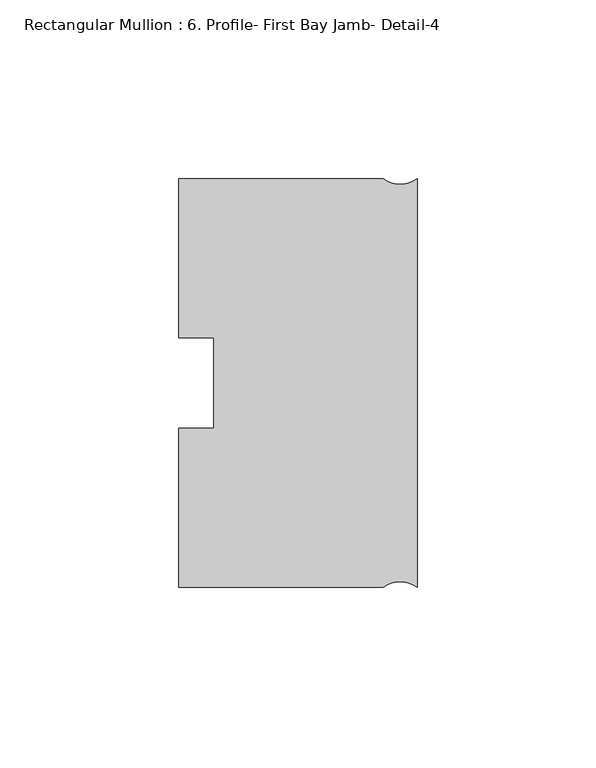
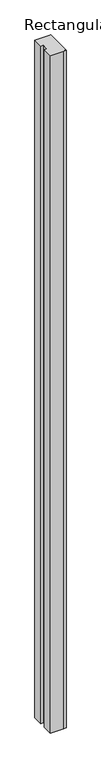
"""IFC4 building model written with IfcOpenShell, lengths in millimetres: member geometry, Rectangular Mullion : 6. Profile- First Bay Jamb- Detail-4."""

import ifcopenshell
import ifcopenshell.guid

model = None  # the IFC model being written
_history = None  # IfcOwnerHistory: only IFC2X3 demands one
_inside = {}  # id of a spatial element -> (the spatial element, [elements in it])
_under = {}  # id of a project, library or spatial element -> (it, [spatial elements below it])
_declared = {}  # id of a project -> (the project, [libraries it declares])
_typed = {}  # id of a type object -> (the type object, [elements of that type])
_made_of = {}  # id of a material, layer set ... -> (it, [elements and type objects made of it])


def new_model(schema):
    """Start an empty IFC model of exactly this schema.

    Asked for "IFC4X3", IfcOpenShell would pick the latest addendum, in which some entities
    have other attributes; the version numbers below select the first issue.
    IFC2X3 requires an IfcOwnerHistory on every rooted entity: one is made here for all.
    """
    global model, _history
    if schema == "IFC4X3":
        model = ifcopenshell.file(schema_version=(4, 3, 0, 0))
    else:
        model = ifcopenshell.file(schema=schema)
    _inside.clear()
    _under.clear()
    _declared.clear()
    _typed.clear()
    _made_of.clear()
    _history = None
    if model.schema == "IFC2X3":
        org = make("IfcOrganization", Name="unknown")
        user = make(
            "IfcPersonAndOrganization",
            ThePerson=make("IfcPerson", FamilyName="unknown"),
            TheOrganization=org,
        )
        app = make(
            "IfcApplication",
            ApplicationDeveloper=org,
            Version="unknown",
            ApplicationFullName="unknown",
            ApplicationIdentifier="unknown",
        )
        _history = make(
            "IfcOwnerHistory",
            OwningUser=user,
            OwningApplication=app,
            ChangeAction="ADDED",
            CreationDate=0,
        )
    return model


def make(cls, **values):
    """One entity of the class cls with the attributes given. An attribute that is None is left unset."""
    return model.create_entity(
        cls, **{name: value for name, value in values.items() if value is not None}
    )


def rooted(cls, **values):
    """An entity with a GlobalId (a new one), such as an element, a storey or a relation."""
    return make(cls, GlobalId=ifcopenshell.guid.new(), OwnerHistory=_history, **values)


def si_unit(unit_type, name, prefix=None):
    """IfcSIUnit, for example si_unit("LENGTHUNIT", "METRE", prefix="MILLI")."""
    return make("IfcSIUnit", UnitType=unit_type, Prefix=prefix, Name=name)


def assignment(units):
    """IfcUnitAssignment: the units of a project."""
    return None if units is None else make("IfcUnitAssignment", Units=units)


def point(xyz):
    """IfcCartesianPoint."""
    return None if xyz is None else make("IfcCartesianPoint", Coordinates=xyz)


def direction(xyz):
    """IfcDirection."""
    return None if xyz is None else make("IfcDirection", DirectionRatios=xyz)


def frame(location, z_axis=None, x_axis=None):
    """IfcAxis2Placement3D, a coordinate frame: its origin and axes. An axis left out is left unset."""
    return make(
        "IfcAxis2Placement3D",
        Location=point(location),
        Axis=direction(z_axis),
        RefDirection=direction(x_axis),
    )


def frame_2d(location, x_axis=None):
    """IfcAxis2Placement2D, a coordinate frame in the plane: its origin and x axis."""
    return make(
        "IfcAxis2Placement2D", Location=point(location), RefDirection=direction(x_axis)
    )


def origin():
    """The frame at (0, 0, 0) with its axes left unset."""
    return frame((0.0, 0.0, 0.0))


def place(relative_to, where):
    """IfcLocalPlacement: puts the frame where relative to a parent placement (None: the world)."""
    return make(
        "IfcLocalPlacement", PlacementRelTo=relative_to, RelativePlacement=where
    )


def context(
    kind, dimensions, precision=None, world=None, true_north=None, identifier=None
):
    """IfcGeometricRepresentationContext, for example the 3D "Model" context."""
    return make(
        "IfcGeometricRepresentationContext",
        ContextIdentifier=identifier,
        ContextType=kind,
        CoordinateSpaceDimension=dimensions,
        Precision=precision,
        WorldCoordinateSystem=world,
        TrueNorth=true_north,
    )


def project(units=None, contexts=None):
    """IfcProject with its units and contexts."""
    return rooted(
        "IfcProject",
        Name="project",
        RepresentationContexts=contexts,
        UnitsInContext=assignment(units),
    )


def spatial(cls, under=None, at=None, **own):
    """A site, building, storey or space (cls), placed at a placement, below another one or the project."""
    s = rooted(cls, ObjectPlacement=at, **own)
    if under is not None:
        _under.setdefault(under.id(), (under, []))[1].append(s)
    return s


def polyline(points):
    """IfcPolyline through the points."""
    return make("IfcPolyline", Points=[point(p) for p in points])


def circle_curve(where, radius):
    """IfcCircle in the frame where."""
    return make("IfcCircle", Position=where, Radius=radius)


def trimmed(basis, trim1, trim2, sense, master):
    """IfcTrimmedCurve: the piece of a basis curve between two trims."""
    return make(
        "IfcTrimmedCurve",
        BasisCurve=basis,
        Trim1=trim1,
        Trim2=trim2,
        SenseAgreement=sense,
        MasterRepresentation=master,
    )


def segment(curve, same_sense, transition):
    """IfcCompositeCurveSegment."""
    return make(
        "IfcCompositeCurveSegment",
        Transition=transition,
        SameSense=same_sense,
        ParentCurve=curve,
    )


def composite_curve(segments, self_intersect=None):
    """IfcCompositeCurve: segments joined end to end."""
    return make("IfcCompositeCurve", Segments=segments, SelfIntersect=self_intersect)


def outline(outer, holes=None, kind="AREA"):
    """IfcArbitraryClosedProfileDef: a profile drawn as a closed curve; with holes, ...WithVoids."""
    if holes is None:
        return make("IfcArbitraryClosedProfileDef", ProfileType=kind, OuterCurve=outer)
    return make(
        "IfcArbitraryProfileDefWithVoids",
        ProfileType=kind,
        OuterCurve=outer,
        InnerCurves=holes,
    )


def extrude(swept, where, along, depth):
    """IfcExtrudedAreaSolid: the profile swept, set in the frame where, extruded along a direction by depth."""
    return make(
        "IfcExtrudedAreaSolid",
        SweptArea=swept,
        Position=where,
        ExtrudedDirection=direction(along),
        Depth=depth,
    )


def shape(context_of_items, identifier, shape_type, items):
    """IfcShapeRepresentation: the items that make up one representation, for example the "Body"."""
    return make(
        "IfcShapeRepresentation",
        ContextOfItems=context_of_items,
        RepresentationIdentifier=identifier,
        RepresentationType=shape_type,
        Items=items,
    )


def source(mapping_origin, context_of_items, identifier, shape_type, items):
    """IfcRepresentationMap: a shape defined once, which mapped items show again and again."""
    return make(
        "IfcRepresentationMap",
        MappingOrigin=mapping_origin,
        MappedRepresentation=shape(context_of_items, identifier, shape_type, items),
    )


def transform(
    local_origin,
    x_axis=None,
    y_axis=None,
    z_axis=None,
    scale=None,
    scale2=None,
    scale3=None,
    uniform=True,
):
    """IfcCartesianTransformationOperator3D, or its non-uniform kind. x_axis, y_axis, z_axis: its Axis1, 2, 3."""
    if uniform:
        return make(
            "IfcCartesianTransformationOperator3D",
            Axis1=direction(x_axis),
            Axis2=direction(y_axis),
            LocalOrigin=point(local_origin),
            Scale=scale,
            Axis3=direction(z_axis),
        )
    return make(
        "IfcCartesianTransformationOperator3DnonUniform",
        Axis1=direction(x_axis),
        Axis2=direction(y_axis),
        LocalOrigin=point(local_origin),
        Scale=scale,
        Axis3=direction(z_axis),
        Scale2=scale2,
        Scale3=scale3,
    )


def mapped(mapping_source, mapping_target):
    """IfcMappedItem: shows the shape of a source again, moved by a transform."""
    return make(
        "IfcMappedItem", MappingSource=mapping_source, MappingTarget=mapping_target
    )


def made_of(thing, what):
    """Note that an element or type object is made of a material, layer set ...; save() writes the relation."""
    if what is not None:
        _made_of.setdefault(what.id(), (what, []))[1].append(thing)
    return thing


def element(
    cls,
    number,
    at=None,
    inside=None,
    cuts=None,
    type_object=None,
    material=None,
    context=None,
    identifier="Body",
    shape_type=None,
    held_by="IfcProductDefinitionShape",
    body=None,
    shapes=None,
    **own,
):
    """One element of the class cls, such as IfcWall. Its Tag is "e" and its number.

    at: its placement. inside: the storey or other place that contains it. cuts: it is an
    opening in that element (IfcRelVoidsElement). A single representation is given by context,
    identifier, shape_type and body (its items); several are given by shapes. held_by: the class
    of the entity that holds the representations. save() writes the other relations.
    """
    e = rooted(cls, Tag="e%d" % number, ObjectPlacement=at, **own)
    if body is not None:
        shapes = [shape(context, identifier, shape_type, body)]
    if shapes is not None:
        e.Representation = make(held_by, Representations=shapes)
    if inside is not None:
        _inside.setdefault(inside.id(), (inside, []))[1].append(e)
    if cuts is not None:
        rooted(
            "IfcRelVoidsElement", RelatingBuildingElement=cuts, RelatedOpeningElement=e
        )
    if type_object is not None:
        _typed.setdefault(type_object.id(), (type_object, []))[1].append(e)
    return made_of(e, material)


def aggregate(whole, parts):
    """IfcRelAggregates: a whole, such as a stair, and the parts it consists of."""
    return rooted("IfcRelAggregates", RelatingObject=whole, RelatedObjects=parts)


def save(model, path):
    """Write the relations noted so far, then the file.

    IfcRelAggregates (storeys below a building ...), IfcRelContainedInSpatialStructure (elements
    in a storey), IfcRelDefinesByType, IfcRelAssociatesMaterial and IfcRelDeclares: one each for
    every whole, place, type object, material and project.
    """
    for whole, parts in _under.values():
        aggregate(whole, parts)
    for where, things in _inside.values():
        rooted(
            "IfcRelContainedInSpatialStructure",
            RelatedElements=things,
            RelatingStructure=where,
        )
    for kind, things in _typed.values():
        rooted("IfcRelDefinesByType", RelatedObjects=things, RelatingType=kind)
    for what, things in _made_of.values():
        rooted("IfcRelAssociatesMaterial", RelatedObjects=things, RelatingMaterial=what)
    for by, libraries in _declared.values():
        rooted("IfcRelDeclares", RelatingContext=by, RelatedDefinitions=libraries)
    model.write(path)


def rectangular_mullion_6_profile_first_bay_jamb_detail_4_da18cc79(model_context):
    return source(origin(), model_context, "Body", "SweptSolid", [
        extrude(outline(composite_curve([segment(polyline([(-66.675, 57.15), (-9.525, 57.15)]), True, "CONTINUOUS"), segment(trimmed(circle_curve(frame_2d((-4.7625, 63.5)), 7.9375), [point((-9.525, 57.15))], [point((0.0, 57.15))], True, "CARTESIAN"), True, "CONTINUOUS"), segment(polyline([(0.0, 57.15), (0.0, -57.15)]), True, "CONTINUOUS"), segment(trimmed(circle_curve(frame_2d((-4.7625, -63.5)), 7.9375), [point((0.0, -57.15))], [point((-9.525, -57.15))], True, "CARTESIAN"), True, "CONTINUOUS"), segment(polyline([(-9.525, -57.15), (-66.675, -57.15), (-66.675, -12.7), (-56.8325, -12.7), (-56.8325, 12.7), (-66.675, 12.7), (-66.675, 57.15)]), True, "CONTINUOUS")], self_intersect=False)), frame((0.0, 0.0, -3048.0), z_axis=(0.0, 0.0, 1.0), x_axis=(1.0, 0.0, 0.0)), (0.0, 0.0, 1.0), 3048.0),
    ])


if __name__ == "__main__":
    model = new_model("IFC4")
    model_context = context("Model", 3, world=origin())
    ifc_project = project(units=[si_unit("LENGTHUNIT", "METRE", prefix="MILLI")], contexts=[model_context])
    site = spatial("IfcSite", under=ifc_project)
    building = spatial("IfcBuilding", under=site)
    placement = place(None, origin())
    rectangular_mullion_6_profile_first_bay_jamb_detail_4_shape = rectangular_mullion_6_profile_first_bay_jamb_detail_4_da18cc79(model_context)
    element("IfcMember", 1, ObjectType="Rectangular Mullion : 6. Profile- First Bay Jamb- Detail-4", at=placement, inside=building, context=model_context, shape_type="MappedRepresentation", body=[
        mapped(rectangular_mullion_6_profile_first_bay_jamb_detail_4_shape, transform((0.0, 0.0, 0.0), x_axis=(1.0, 0.0, 0.0), y_axis=(0.0, 1.0, 0.0), z_axis=(0.0, 0.0, 1.0))),
    ])
    save(model, "model.ifc")
